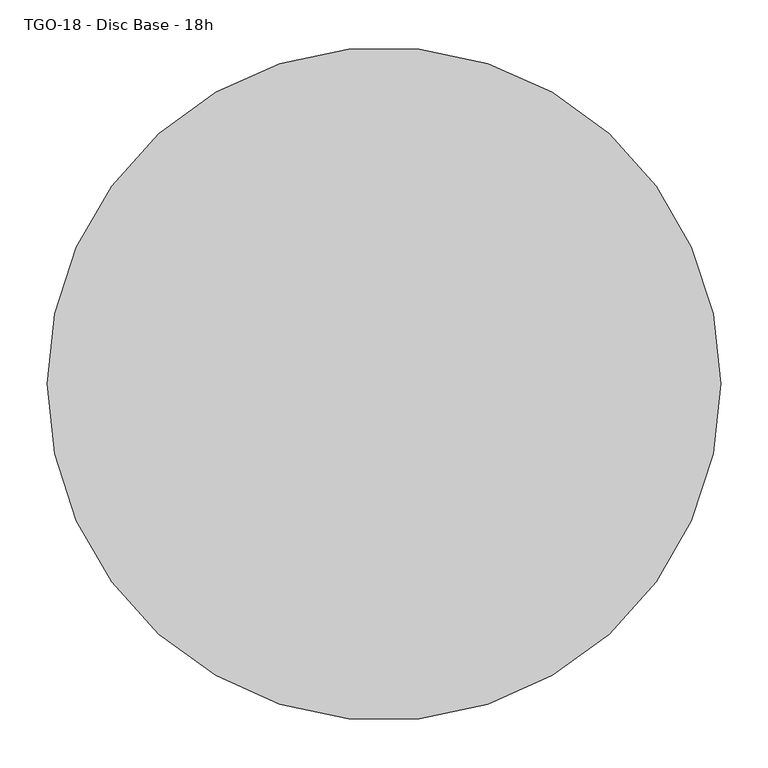
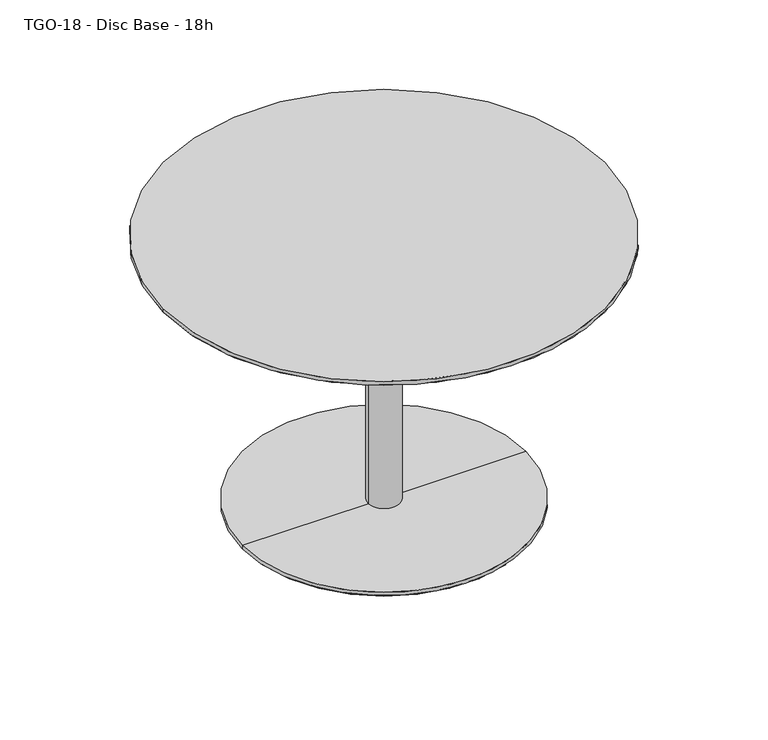
"""IFC4 building model written with IfcOpenShell, lengths in millimetres: furniture geometry, TGO-18 - Disc Base - 18h."""

import ifcopenshell
import ifcopenshell.guid

model = None  # the IFC model being written
_history = None  # IfcOwnerHistory: only IFC2X3 demands one
_inside = {}  # id of a spatial element -> (the spatial element, [elements in it])
_under = {}  # id of a project, library or spatial element -> (it, [spatial elements below it])
_declared = {}  # id of a project -> (the project, [libraries it declares])
_typed = {}  # id of a type object -> (the type object, [elements of that type])
_made_of = {}  # id of a material, layer set ... -> (it, [elements and type objects made of it])


def new_model(schema):
    """Start an empty IFC model of exactly this schema.

    Asked for "IFC4X3", IfcOpenShell would pick the latest addendum, in which some entities
    have other attributes; the version numbers below select the first issue.
    IFC2X3 requires an IfcOwnerHistory on every rooted entity: one is made here for all.
    """
    global model, _history
    if schema == "IFC4X3":
        model = ifcopenshell.file(schema_version=(4, 3, 0, 0))
    else:
        model = ifcopenshell.file(schema=schema)
    _inside.clear()
    _under.clear()
    _declared.clear()
    _typed.clear()
    _made_of.clear()
    _history = None
    if model.schema == "IFC2X3":
        org = make("IfcOrganization", Name="unknown")
        user = make(
            "IfcPersonAndOrganization",
            ThePerson=make("IfcPerson", FamilyName="unknown"),
            TheOrganization=org,
        )
        app = make(
            "IfcApplication",
            ApplicationDeveloper=org,
            Version="unknown",
            ApplicationFullName="unknown",
            ApplicationIdentifier="unknown",
        )
        _history = make(
            "IfcOwnerHistory",
            OwningUser=user,
            OwningApplication=app,
            ChangeAction="ADDED",
            CreationDate=0,
        )
    return model


def make(cls, **values):
    """One entity of the class cls with the attributes given. An attribute that is None is left unset."""
    return model.create_entity(
        cls, **{name: value for name, value in values.items() if value is not None}
    )


def rooted(cls, **values):
    """An entity with a GlobalId (a new one), such as an element, a storey or a relation."""
    return make(cls, GlobalId=ifcopenshell.guid.new(), OwnerHistory=_history, **values)


def si_unit(unit_type, name, prefix=None):
    """IfcSIUnit, for example si_unit("LENGTHUNIT", "METRE", prefix="MILLI")."""
    return make("IfcSIUnit", UnitType=unit_type, Prefix=prefix, Name=name)


def assignment(units):
    """IfcUnitAssignment: the units of a project."""
    return None if units is None else make("IfcUnitAssignment", Units=units)


def point(xyz):
    """IfcCartesianPoint."""
    return None if xyz is None else make("IfcCartesianPoint", Coordinates=xyz)


def direction(xyz):
    """IfcDirection."""
    return None if xyz is None else make("IfcDirection", DirectionRatios=xyz)


def frame(location, z_axis=None, x_axis=None):
    """IfcAxis2Placement3D, a coordinate frame: its origin and axes. An axis left out is left unset."""
    return make(
        "IfcAxis2Placement3D",
        Location=point(location),
        Axis=direction(z_axis),
        RefDirection=direction(x_axis),
    )


def frame_2d(location, x_axis=None):
    """IfcAxis2Placement2D, a coordinate frame in the plane: its origin and x axis."""
    return make(
        "IfcAxis2Placement2D", Location=point(location), RefDirection=direction(x_axis)
    )


def origin():
    """The frame at (0, 0, 0) with its axes left unset."""
    return frame((0.0, 0.0, 0.0))


def origin_with_axes():
    """The frame at (0, 0, 0) with the z axis (0, 0, 1) and the x axis (1, 0, 0) written out."""
    return frame((0.0, 0.0, 0.0), z_axis=(0.0, 0.0, 1.0), x_axis=(1.0, 0.0, 0.0))


def origin_2d():
    """The frame at (0, 0) in the plane with its x axis left unset."""
    return frame_2d((0.0, 0.0))


def place(relative_to, where):
    """IfcLocalPlacement: puts the frame where relative to a parent placement (None: the world)."""
    return make(
        "IfcLocalPlacement", PlacementRelTo=relative_to, RelativePlacement=where
    )


def context(
    kind, dimensions, precision=None, world=None, true_north=None, identifier=None
):
    """IfcGeometricRepresentationContext, for example the 3D "Model" context."""
    return make(
        "IfcGeometricRepresentationContext",
        ContextIdentifier=identifier,
        ContextType=kind,
        CoordinateSpaceDimension=dimensions,
        Precision=precision,
        WorldCoordinateSystem=world,
        TrueNorth=true_north,
    )


def project(units=None, contexts=None):
    """IfcProject with its units and contexts."""
    return rooted(
        "IfcProject",
        Name="project",
        RepresentationContexts=contexts,
        UnitsInContext=assignment(units),
    )


def spatial(cls, under=None, at=None, **own):
    """A site, building, storey or space (cls), placed at a placement, below another one or the project."""
    s = rooted(cls, ObjectPlacement=at, **own)
    if under is not None:
        _under.setdefault(under.id(), (under, []))[1].append(s)
    return s


def polyline(points):
    """IfcPolyline through the points."""
    return make("IfcPolyline", Points=[point(p) for p in points])


def circle_curve(where, radius):
    """IfcCircle in the frame where."""
    return make("IfcCircle", Position=where, Radius=radius)


def trimmed(basis, trim1, trim2, sense, master):
    """IfcTrimmedCurve: the piece of a basis curve between two trims."""
    return make(
        "IfcTrimmedCurve",
        BasisCurve=basis,
        Trim1=trim1,
        Trim2=trim2,
        SenseAgreement=sense,
        MasterRepresentation=master,
    )


def segment(curve, same_sense, transition):
    """IfcCompositeCurveSegment."""
    return make(
        "IfcCompositeCurveSegment",
        Transition=transition,
        SameSense=same_sense,
        ParentCurve=curve,
    )


def composite_curve(segments, self_intersect=None):
    """IfcCompositeCurve: segments joined end to end."""
    return make("IfcCompositeCurve", Segments=segments, SelfIntersect=self_intersect)


def outline(outer, holes=None, kind="AREA"):
    """IfcArbitraryClosedProfileDef: a profile drawn as a closed curve; with holes, ...WithVoids."""
    if holes is None:
        return make("IfcArbitraryClosedProfileDef", ProfileType=kind, OuterCurve=outer)
    return make(
        "IfcArbitraryProfileDefWithVoids",
        ProfileType=kind,
        OuterCurve=outer,
        InnerCurves=holes,
    )


def extrude(swept, where, along, depth):
    """IfcExtrudedAreaSolid: the profile swept, set in the frame where, extruded along a direction by depth."""
    return make(
        "IfcExtrudedAreaSolid",
        SweptArea=swept,
        Position=where,
        ExtrudedDirection=direction(along),
        Depth=depth,
    )


def shape(context_of_items, identifier, shape_type, items):
    """IfcShapeRepresentation: the items that make up one representation, for example the "Body"."""
    return make(
        "IfcShapeRepresentation",
        ContextOfItems=context_of_items,
        RepresentationIdentifier=identifier,
        RepresentationType=shape_type,
        Items=items,
    )


def source(mapping_origin, context_of_items, identifier, shape_type, items):
    """IfcRepresentationMap: a shape defined once, which mapped items show again and again."""
    return make(
        "IfcRepresentationMap",
        MappingOrigin=mapping_origin,
        MappedRepresentation=shape(context_of_items, identifier, shape_type, items),
    )


def transform(
    local_origin,
    x_axis=None,
    y_axis=None,
    z_axis=None,
    scale=None,
    scale2=None,
    scale3=None,
    uniform=True,
):
    """IfcCartesianTransformationOperator3D, or its non-uniform kind. x_axis, y_axis, z_axis: its Axis1, 2, 3."""
    if uniform:
        return make(
            "IfcCartesianTransformationOperator3D",
            Axis1=direction(x_axis),
            Axis2=direction(y_axis),
            LocalOrigin=point(local_origin),
            Scale=scale,
            Axis3=direction(z_axis),
        )
    return make(
        "IfcCartesianTransformationOperator3DnonUniform",
        Axis1=direction(x_axis),
        Axis2=direction(y_axis),
        LocalOrigin=point(local_origin),
        Scale=scale,
        Axis3=direction(z_axis),
        Scale2=scale2,
        Scale3=scale3,
    )


def mapped(mapping_source, mapping_target):
    """IfcMappedItem: shows the shape of a source again, moved by a transform."""
    return make(
        "IfcMappedItem", MappingSource=mapping_source, MappingTarget=mapping_target
    )


def made_of(thing, what):
    """Note that an element or type object is made of a material, layer set ...; save() writes the relation."""
    if what is not None:
        _made_of.setdefault(what.id(), (what, []))[1].append(thing)
    return thing


def element(
    cls,
    number,
    at=None,
    inside=None,
    cuts=None,
    type_object=None,
    material=None,
    context=None,
    identifier="Body",
    shape_type=None,
    held_by="IfcProductDefinitionShape",
    body=None,
    shapes=None,
    **own,
):
    """One element of the class cls, such as IfcWall. Its Tag is "e" and its number.

    at: its placement. inside: the storey or other place that contains it. cuts: it is an
    opening in that element (IfcRelVoidsElement). A single representation is given by context,
    identifier, shape_type and body (its items); several are given by shapes. held_by: the class
    of the entity that holds the representations. save() writes the other relations.
    """
    e = rooted(cls, Tag="e%d" % number, ObjectPlacement=at, **own)
    if body is not None:
        shapes = [shape(context, identifier, shape_type, body)]
    if shapes is not None:
        e.Representation = make(held_by, Representations=shapes)
    if inside is not None:
        _inside.setdefault(inside.id(), (inside, []))[1].append(e)
    if cuts is not None:
        rooted(
            "IfcRelVoidsElement", RelatingBuildingElement=cuts, RelatedOpeningElement=e
        )
    if type_object is not None:
        _typed.setdefault(type_object.id(), (type_object, []))[1].append(e)
    return made_of(e, material)


def aggregate(whole, parts):
    """IfcRelAggregates: a whole, such as a stair, and the parts it consists of."""
    return rooted("IfcRelAggregates", RelatingObject=whole, RelatedObjects=parts)


def save(model, path):
    """Write the relations noted so far, then the file.

    IfcRelAggregates (storeys below a building ...), IfcRelContainedInSpatialStructure (elements
    in a storey), IfcRelDefinesByType, IfcRelAssociatesMaterial and IfcRelDeclares: one each for
    every whole, place, type object, material and project.
    """
    for whole, parts in _under.values():
        aggregate(whole, parts)
    for where, things in _inside.values():
        rooted(
            "IfcRelContainedInSpatialStructure",
            RelatedElements=things,
            RelatingStructure=where,
        )
    for kind, things in _typed.values():
        rooted("IfcRelDefinesByType", RelatedObjects=things, RelatingType=kind)
    for what, things in _made_of.values():
        rooted("IfcRelAssociatesMaterial", RelatedObjects=things, RelatingMaterial=what)
    for by, libraries in _declared.values():
        rooted("IfcRelDeclares", RelatingContext=by, RelatedDefinitions=libraries)
    model.write(path)


def plane_surface(at):
    """IfcPlane: the flat surface through the origin of the frame at, square to its z axis."""
    return make("IfcPlane", Position=at)


def cylinder_surface(at, radius):
    """IfcCylindricalSurface: all points at the distance radius from the z axis of the frame at."""
    return make("IfcCylindricalSurface", Position=at, Radius=radius)


def revolved_surface(curve, axis_point, axis_direction):
    """IfcSurfaceOfRevolution: the curve turned about the line through axis_point along axis_direction."""
    return make(
        "IfcSurfaceOfRevolution",
        SweptCurve=make("IfcArbitraryOpenProfileDef", ProfileType="CURVE", Curve=curve),
        AxisPosition=make("IfcAxis1Placement", Location=point(axis_point), Axis=direction(axis_direction)),
    )


def advanced_brep(points, edges, surfaces, faces):
    """IfcAdvancedBrep: a solid bounded by faces that lie on surfaces and meet in shared edges.

    An edge is (start, end): straight between two places in points (the first is 0);
    or (start, end, curve); or (start, end, curve, False) where it runs against its curve.
    A face is (place in surfaces, loops), or (place, loops, False) where it looks against
    its surface's normal. A loop lists edges by number (the first is 1), with a minus sign
    where the edge is run from its end to its start. The first loop is the outer one.
    """
    corners = [point(p) for p in points]
    vertices = [make("IfcVertexPoint", VertexGeometry=c) for c in corners]
    made = []
    for start, end, *more in edges:
        made.append(
            make(
                "IfcEdgeCurve",
                EdgeStart=vertices[start],
                EdgeEnd=vertices[end],
                EdgeGeometry=more[0] if more else make("IfcPolyline", Points=[corners[start], corners[end]]),
                SameSense=more[1] if len(more) > 1 else True,
            )
        )
    hull = []
    for where, loops, *sense in faces:
        bounds = []
        for j, loop in enumerate(loops):
            ring = [make("IfcOrientedEdge", EdgeElement=made[abs(k) - 1], Orientation=k > 0) for k in loop]
            bounds.append(
                make(
                    "IfcFaceOuterBound" if j == 0 else "IfcFaceBound",
                    Bound=make("IfcEdgeLoop", EdgeList=ring),
                    Orientation=True,
                )
            )
        hull.append(make("IfcAdvancedFace", Bounds=bounds, FaceSurface=surfaces[where], SameSense=sense[0] if sense else True))
    return make("IfcAdvancedBrep", Outer=make("IfcClosedShell", CfsFaces=hull))


def tgo_18_disc_base_18h_43796d90(model_context):
    return source(origin(), model_context, "Body", "SolidModel", [
        advanced_brep(
        [(-355.599986, 0.0, 450.85), (355.599986, 0.0, 450.85), (-317.499986, 0.0, 438.15), (317.499986, 0.0, 438.15)],
        [
            (0, 1, circle_curve(frame((0.0, 0.0, 450.85), z_axis=(0.0, 0.0, 1.0), x_axis=(-1.0, 0.0, 0.0)), 355.599986)),
            (1, 0, circle_curve(frame((0.0, 0.0, 450.85), z_axis=(0.0, 0.0, 1.0), x_axis=(1.0, 0.0, 0.0)), 355.599986)),
            (2, 3, circle_curve(frame((0.0, 0.0, 438.15), z_axis=(0.0, 0.0, -1.0), x_axis=(1.0, 0.0, 0.0)), 317.499986)),
            (3, 2, circle_curve(frame((0.0, 0.0, 438.15), z_axis=(0.0, 0.0, -1.0), x_axis=(-1.0, 0.0, 0.0)), 317.499986)),
            (3, 1),
            (0, 2),
        ],
        [
            plane_surface(frame((0.0, 0.0, 450.85), z_axis=(0.0, 0.0, 1.0), x_axis=(0.0, -1.0, 0.0))),
            plane_surface(frame((0.0, 0.0, 438.15), z_axis=(0.0, 0.0, -1.0), x_axis=(0.0, -1.0, 0.0))),
            revolved_surface(polyline([(317.49998601071417, 0.0, 438.15), (355.599986, 0.0, 450.85)]), (0.0, 0.0, 332.3166713), (0.0, 0.0, 1.0)),
            revolved_surface(polyline([(-317.49998601071417, 0.0, 438.15), (-355.599986, 0.0, 450.85)]), (0.0, 0.0, 332.3166713), (0.0, 0.0, 1.0)),
        ],
        [
            (0, [[1, 2]]),
            (1, [[3, 4]]),
            (2, [[-4, 5, -1, 6]]),
            (3, [[-3, -6, -2, -5]]),
        ],
    ),
        extrude(outline(composite_curve([segment(trimmed(circle_curve(origin_2d(), 355.599986), [point((-355.599986, 0.0))], [point((355.599986, 0.0))], False, "CARTESIAN"), True, "CONTINUOUS"), segment(trimmed(circle_curve(origin_2d(), 355.599986), [point((355.599986, 0.0))], [point((-355.599986, 0.0))], False, "CARTESIAN"), True, "CONTINUOUS")], self_intersect=False)), frame((0.0, 0.0, 450.85), z_axis=(0.0, 0.0, 1.0), x_axis=(1.0, 0.0, 0.0)), (0.0, 0.0, 1.0), 6.35),
        advanced_brep(
        [(-228.5999516, 0.0, 3.9999977), (228.5999516, 0.0, 3.9999977), (224.6000504, 0.0, 0.0), (-224.6000504, 0.0, 0.0), (-228.5999516, 0.0, 9.5249943), (228.5999516, 0.0, 9.5249943), (-25.4, 0.0, 9.5249943), (25.4, 0.0, 9.5249943), (-25.4, 0.0, 438.15), (25.4, 0.0, 438.15), (0.0, 0.0, 438.15), (0.0, 0.0, 0.0)],
        [
            (0, 1, circle_curve(frame((0.0, 0.0, 3.9999977), z_axis=(0.0, 0.0, -1.0), x_axis=(1.0, 0.0, 0.0)), 228.5999516)),
            (1, 2),
            (2, 3, circle_curve(origin_with_axes(), 224.6000504)),
            (3, 0),
            (1, 0, circle_curve(frame((0.0, 0.0, 3.9999977), z_axis=(0.0, 0.0, -1.0), x_axis=(1.0, 0.0, 0.0)), 228.5999516)),
            (3, 2, circle_curve(origin_with_axes(), 224.6000504)),
            (4, 5, circle_curve(frame((0.0, 0.0, 9.5249943), z_axis=(0.0, 0.0, -1.0), x_axis=(1.0, 0.0, 0.0)), 228.5999516)),
            (5, 1),
            (0, 4),
            (5, 4, circle_curve(frame((0.0, 0.0, 9.5249943), z_axis=(0.0, 0.0, -1.0), x_axis=(1.0, 0.0, 0.0)), 228.5999516)),
            (6, 7, circle_curve(frame((0.0, 0.0, 9.5249943), z_axis=(0.0, 0.0, -1.0), x_axis=(1.0, 0.0, 0.0)), 25.4)),
            (7, 5),
            (4, 6),
            (7, 6, circle_curve(frame((0.0, 0.0, 9.5249943), z_axis=(0.0, 0.0, -1.0), x_axis=(1.0, 0.0, 0.0)), 25.4)),
            (8, 9, circle_curve(frame((0.0, 0.0, 438.15), z_axis=(0.0, 0.0, -1.0), x_axis=(1.0, 0.0, 0.0)), 25.4)),
            (9, 7),
            (6, 8),
            (9, 8, circle_curve(frame((0.0, 0.0, 438.15), z_axis=(0.0, 0.0, -1.0), x_axis=(1.0, 0.0, 0.0)), 25.4)),
            (10, 9),
            (8, 10),
            (2, 11),
            (11, 3),
        ],
        [
            revolved_surface(polyline([(224.6000504, 0.0, 0.0), (228.5999516, 0.0, 3.9999977)]), (0.0, 0.0, -14.8746078), (0.0, 0.0, 1.0)),
            cylinder_surface(frame((0.0, 0.0, -14.8746078), z_axis=(0.0, 0.0, 1.0), x_axis=(1.0, 0.0, 0.0)), 228.5999516),
            plane_surface(frame((0.0, 0.0, 9.5249943), z_axis=(0.0, 0.0, 1.0), x_axis=(1.0, 0.0, 0.0))),
            cylinder_surface(frame((0.0, 0.0, -14.8746078), z_axis=(0.0, 0.0, 1.0), x_axis=(1.0, 0.0, 0.0)), 25.4),
            plane_surface(frame((0.0, 0.0, 438.15), z_axis=(0.0, 0.0, 1.0), x_axis=(1.0, 0.0, 0.0))),
            plane_surface(frame((0.0, 0.0, 0.0), z_axis=(0.0, 0.0, -1.0), x_axis=(1.0, 0.0, 0.0))),
        ],
        [
            (0, [[1, 2, 3, 4]]),
            (0, [[5, -4, 6, -2]]),
            (1, [[7, 8, -1, 9]]),
            (1, [[10, -9, -5, -8]]),
            (2, [[11, 12, -7, 13]]),
            (2, [[14, -13, -10, -12]]),
            (3, [[15, 16, -11, 17]]),
            (3, [[18, -17, -14, -16]]),
            (4, [[19, -15, 20]]),
            (4, [[-20, -18, -19]]),
            (5, [[-3, 21, 22]]),
            (5, [[-6, -22, -21]]),
        ],
    ),
    ])


if __name__ == "__main__":
    model = new_model("IFC4")
    model_context = context("Model", 3, world=origin())
    ifc_project = project(units=[si_unit("LENGTHUNIT", "METRE", prefix="MILLI")], contexts=[model_context])
    site = spatial("IfcSite", under=ifc_project)
    building = spatial("IfcBuilding", under=site)
    placement = place(None, origin())
    tgo_18_disc_base_18h_shape = tgo_18_disc_base_18h_43796d90(model_context)
    element("IfcFurniture", 1, ObjectType="TGO-18 - Disc Base - 18h", at=placement, inside=building, context=model_context, shape_type="MappedRepresentation", body=[
        mapped(tgo_18_disc_base_18h_shape, transform((0.0, 0.0, 0.0), x_axis=(1.0, 0.0, 0.0), y_axis=(0.0, 1.0, 0.0), z_axis=(0.0, 0.0, 1.0))),
    ])
    save(model, "model.ifc")
